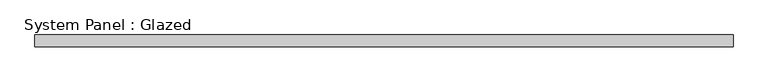
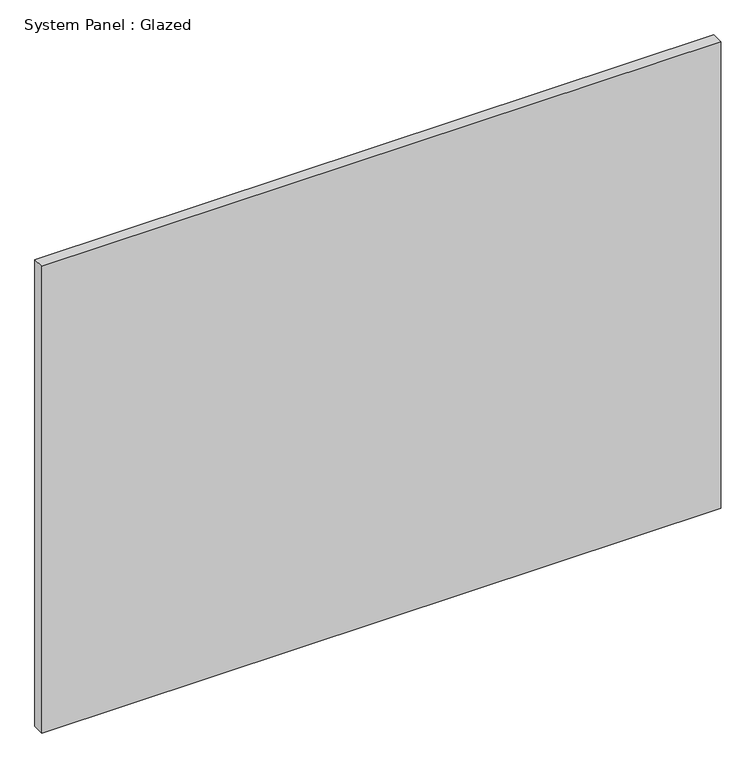
"""IFC4 building model written with IfcOpenShell, lengths in millimetres: plate geometry, System Panel : Glazed."""

from ifc_helpers import new_model, si_unit, origin, origin_with_axes, place, context, project, spatial, polyline, outline, extrude, source, transform, mapped, element, save


def system_panel_glazed_c73531f1(model_context):
    return source(origin(), model_context, "Body", "SweptSolid", [
        extrude(outline(polyline([(722.5000001, 24.5), (-722.5000001, 24.5), (-722.5000001, 49.5), (722.5000001, 49.5), (722.5000001, 24.5)])), origin_with_axes(), (0.0, 0.0, 1.0), 1050.0),
    ])


if __name__ == "__main__":
    model = new_model("IFC4")
    model_context = context("Model", 3, world=origin())
    ifc_project = project(units=[si_unit("LENGTHUNIT", "METRE", prefix="MILLI")], contexts=[model_context])
    site = spatial("IfcSite", under=ifc_project)
    building = spatial("IfcBuilding", under=site)
    placement = place(None, origin())
    system_panel_glazed_shape = system_panel_glazed_c73531f1(model_context)
    element("IfcPlate", 1, ObjectType="System Panel : Glazed", at=placement, inside=building, context=model_context, shape_type="MappedRepresentation", body=[
        mapped(system_panel_glazed_shape, transform((0.0, 0.0, 0.0), x_axis=(1.0, 0.0, 0.0), y_axis=(0.0, 1.0, 0.0), z_axis=(0.0, 0.0, 1.0))),
    ])
    save(model, "model.ifc")
